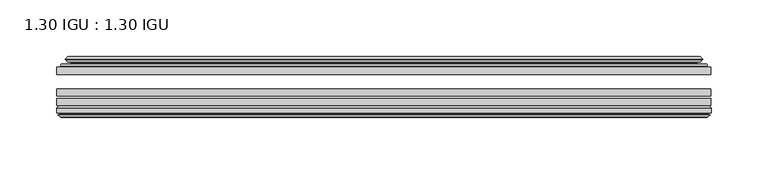
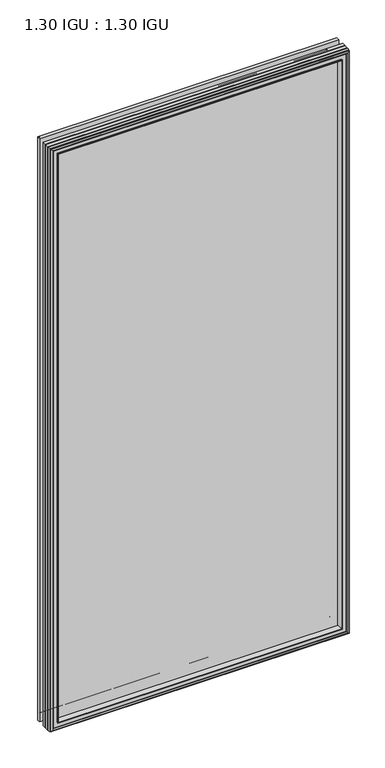
"""IFC4 building model written with IfcOpenShell, lengths in millimetres: plate geometry, 1.30 IGU : 1.30 IGU."""

from ifc_helpers import new_model, si_unit, frame, origin, place, context, project, spatial, polyline, ellipse_curve, outline, extrude, faceted_brep, source, transform, mapped, element, save
from ifc_brep_helpers import plane_surface, cylinder_surface, revolved_surface, advanced_brep


def plate_1_30_igu_1_30_igu_d68cf6b5(model_context):
    return source(origin(), model_context, "Body", "SolidModel", [
        extrude(outline(polyline([(287.2705532, -44.92625), (287.2705532, -51.27625), (-287.3375, -51.27625), (-287.3375, -44.92625), (287.2705532, -44.92625)])), frame((0.0, 0.0, -14.2875), z_axis=(0.0, 0.0, 1.0), x_axis=(1.0, 0.0, 0.0)), (0.0, 0.0, 1.0), 1184.275),
        extrude(outline(polyline([(-287.3375, -78.58125), (-287.3375, -72.23125), (287.2705532, -72.23125), (287.2705532, -78.58125), (-287.3375, -78.58125)])), frame((0.0, 0.0, -14.2875), z_axis=(0.0, 0.0, 1.0), x_axis=(1.0, 0.0, 0.0)), (0.0, 0.0, 1.0), 1184.275),
        extrude(outline(polyline([(-287.3375, -70.32625), (-287.3375, -63.97625), (287.2705532, -63.97625), (287.2705532, -70.32625), (-287.3375, -70.32625)])), frame((0.0, 0.0, -14.2875), z_axis=(0.0, 0.0, 1.0), x_axis=(1.0, 0.0, 0.0)), (0.0, 0.0, 1.0), 1184.275),
        advanced_brep(
        [(-269.0022902, -43.8351483, 1151.6522902), (-269.4441004, -44.92625, 1152.0941004), (-269.4441004, -44.92625, 3.6058996), (-269.0022902, -43.8351483, 4.0477098), (-273.05, -36.11245, 1155.7), (-273.05, -36.11245, 0.0), (-278.2359109, -37.2935491, 1160.8859109), (-278.2359109, -37.2935491, -5.1859109), (-277.9063356, -36.4664324, 1160.5563356), (-277.9063356, -36.4664324, -4.8563356), (-277.9063356, -35.6521812, 1160.5563356), (-277.9063356, -35.6521812, -4.8563356), (-279.7226111, -37.610817, 1162.3726111), (-279.7226111, -37.610817, -6.6726111), (-279.7226111, -38.3239429, 1162.3726111), (-279.7226111, -38.3239429, -6.6726111), (-277.9063356, -40.2727974, 1160.5563356), (-277.9063356, -40.2727974, -4.8563356), (-277.9063356, -39.4683275, 1160.5563356), (-277.9063356, -39.4683275, -4.8563356), (-278.2282501, -38.6604367, 1160.8782501), (-278.2282501, -38.6604367, -5.1782501), (-275.7044379, -38.502045, 1158.3544379), (-275.7044379, -38.502045, -2.6544379), (-274.6786217, -39.1897544, 1157.3286217), (-274.6786217, -39.1897544, -1.6286217), (-274.7970288, -40.5842231, 1157.4470288), (-274.7970288, -40.5842231, -1.7470288), (-275.3987748, -42.08145, 1158.0487748), (-275.3987748, -42.08145, -2.3487748), (-283.3245553, -43.9898729, 1165.9745553), (-282.8389245, -42.08145, 1165.4889245), (-282.8389245, -42.08145, -9.7889245), (-283.3245553, -43.9898729, -10.2745553), (-281.6038155, -44.92625, 1164.2538155), (-281.6038155, -44.92625, -8.5538155), (269.4441004, -44.92625, 3.6058996), (269.0022902, -43.8351483, 4.0477098), (273.05, -36.11245, 0.0), (278.2359109, -37.2935491, -5.1859109), (277.9063356, -36.4664324, -4.8563356), (277.9063356, -35.6521812, -4.8563356), (279.7226111, -37.610817, -6.6726111), (279.7226111, -38.3239429, -6.6726111), (277.9063356, -40.2727974, -4.8563356), (277.9063356, -39.4683275, -4.8563356), (278.2282501, -38.6604367, -5.1782501), (275.7044379, -38.502045, -2.6544379), (274.6786217, -39.1897544, -1.6286217), (274.7970288, -40.5842231, -1.7470288), (275.3987748, -42.08145, -2.3487748), (282.8389245, -42.08145, -9.7889245), (283.3245553, -43.9898729, -10.2745553), (281.6038155, -44.92625, -8.5538155), (269.4441004, -44.92625, 1152.0941004), (269.0022902, -43.8351483, 1151.6522902), (273.05, -36.11245, 1155.7), (278.2359109, -37.2935491, 1160.8859109), (277.9063356, -36.4664324, 1160.5563356), (277.9063356, -35.6521812, 1160.5563356), (279.7226111, -37.610817, 1162.3726111), (279.7226111, -38.3239429, 1162.3726111), (277.9063356, -40.2727974, 1160.5563356), (277.9063356, -39.4683275, 1160.5563356), (278.2282501, -38.6604367, 1160.8782501), (275.7044379, -38.502045, 1158.3544379), (274.6786217, -39.1897544, 1157.3286217), (274.7970288, -40.5842231, 1157.4470288), (275.3987748, -42.08145, 1158.0487748), (282.8389245, -42.08145, 1165.4889245), (283.3245553, -43.9898729, 1165.9745553), (281.6038155, -44.92625, 1164.2538155)],
        [
            (0, 1, ellipse_curve(frame((-269.4441004, -44.29125, 1152.0941004), z_axis=(-0.7071067811865475, 0.0, -0.7071067811865475), x_axis=(-0.7071067811865474, 0.0, 0.7071067811865476)), 0.8980256, 0.635)),
            (1, 2),
            (2, 3, ellipse_curve(frame((-269.4441004, -44.29125, 3.6058996), z_axis=(-0.7071067811865475, 0.0, 0.7071067811865475), x_axis=(0.7071067811865474, 0.0, 0.7071067811865476)), 0.8980256, 0.635)),
            (3, 0),
            (4, 0, ellipse_curve(frame((-259.3172054, -33.8367745, 1141.9672054), z_axis=(0.7071067811865475, 0.0, 0.7071067811865475), x_axis=(0.7071067811865474, 0.0, -0.7071067811865476)), 19.6859517, 13.9200699)),
            (3, 5, ellipse_curve(frame((-259.3172054, -33.8367745, 13.7327946), z_axis=(0.7071067811865475, 0.0, -0.7071067811865475), x_axis=(-0.7071067811865474, 0.0, -0.7071067811865476)), 19.6859517, 13.9200699)),
            (5, 4),
            (6, 4),
            (5, 7),
            (7, 6),
            (8, 6),
            (7, 9),
            (9, 8),
            (10, 8),
            (9, 11),
            (11, 10),
            (12, 10),
            (11, 13),
            (13, 12),
            (14, 12, ellipse_curve(frame((-279.3607729, -37.96738, 1162.0107729), z_axis=(-0.7071067811865475, 0.0, -0.7071067811865475), x_axis=(-0.7071067811865474, 0.0, 0.7071067811865476)), 0.7184205, 0.508)),
            (13, 15, ellipse_curve(frame((-279.3607729, -37.96738, -6.3107729), z_axis=(-0.7071067811865475, 0.0, 0.7071067811865475), x_axis=(0.7071067811865474, 0.0, 0.7071067811865476)), 0.7184205, 0.508)),
            (15, 14),
            (16, 14),
            (15, 17),
            (17, 16),
            (18, 16),
            (17, 19),
            (19, 18),
            (20, 18),
            (19, 21),
            (21, 20),
            (22, 20),
            (21, 23),
            (23, 22),
            (24, 22, ellipse_curve(frame((-275.6408, -39.51605, 1158.2908), z_axis=(0.7071067811865475, 0.0, 0.7071067811865475), x_axis=(0.7071067811865474, 0.0, -0.7071067811865476)), 1.436841, 1.016)),
            (23, 25, ellipse_curve(frame((-275.6408, -39.51605, -2.5908), z_axis=(0.7071067811865475, 0.0, -0.7071067811865475), x_axis=(-0.7071067811865474, 0.0, -0.7071067811865476)), 1.436841, 1.016)),
            (25, 24),
            (26, 24, ellipse_curve(frame((-277.0124, -39.69385, 1159.6624), z_axis=(0.7071067811865475, 0.0, 0.7071067811865475), x_axis=(0.7071067811865474, 0.0, -0.7071067811865476)), 3.3765763, 2.3876)),
            (25, 27, ellipse_curve(frame((-277.0124, -39.69385, -3.9624), z_axis=(0.7071067811865475, 0.0, -0.7071067811865475), x_axis=(-0.7071067811865474, 0.0, -0.7071067811865476)), 3.3765763, 2.3876)),
            (27, 26),
            (28, 26),
            (27, 29),
            (29, 28),
            (30, 31, ellipse_curve(frame((-282.8389245, -43.09745, 1165.4889245), z_axis=(-0.7071067811865475, 0.0, -0.7071067811865475), x_axis=(-0.7071067811865474, 0.0, 0.7071067811865476)), 1.436841, 1.016)),
            (31, 32),
            (32, 33, ellipse_curve(frame((-282.8389245, -43.09745, -9.7889245), z_axis=(-0.7071067811865475, 0.0, 0.7071067811865475), x_axis=(0.7071067811865474, 0.0, 0.7071067811865476)), 1.436841, 1.016)),
            (33, 30),
            (34, 30),
            (33, 35),
            (35, 34),
            (2, 36),
            (36, 37, ellipse_curve(frame((269.4441004, -44.29125, 3.6058996), z_axis=(-0.7071067811865475, 0.0, -0.7071067811865475), x_axis=(-0.7071067811865476, 0.0, 0.7071067811865474)), 0.8980256, 0.635)),
            (37, 3),
            (37, 38, ellipse_curve(frame((259.3172054, -33.8367745, 13.7327946), z_axis=(0.7071067811865475, 0.0, 0.7071067811865475), x_axis=(0.7071067811865476, 0.0, -0.7071067811865474)), 19.6859517, 13.9200699)),
            (38, 5),
            (38, 39),
            (39, 7),
            (39, 40),
            (40, 9),
            (40, 41),
            (41, 11),
            (41, 42),
            (42, 13),
            (42, 43, ellipse_curve(frame((279.3607729, -37.96738, -6.3107729), z_axis=(-0.7071067811865475, 0.0, -0.7071067811865475), x_axis=(-0.7071067811865476, 0.0, 0.7071067811865474)), 0.7184205, 0.508)),
            (43, 15),
            (43, 44),
            (44, 17),
            (44, 45),
            (45, 19),
            (45, 46),
            (46, 21),
            (46, 47),
            (47, 23),
            (47, 48, ellipse_curve(frame((275.6408, -39.51605, -2.5908), z_axis=(0.7071067811865475, 0.0, 0.7071067811865475), x_axis=(0.7071067811865476, 0.0, -0.7071067811865474)), 1.436841, 1.016)),
            (48, 25),
            (48, 49, ellipse_curve(frame((277.0124, -39.69385, -3.9624), z_axis=(0.7071067811865475, 0.0, 0.7071067811865475), x_axis=(0.7071067811865476, 0.0, -0.7071067811865474)), 3.3765763, 2.3876)),
            (49, 27),
            (49, 50),
            (50, 29),
            (32, 51),
            (51, 52, ellipse_curve(frame((282.8389245, -43.09745, -9.7889245), z_axis=(-0.7071067811865475, 0.0, -0.7071067811865475), x_axis=(-0.7071067811865476, 0.0, 0.7071067811865474)), 1.436841, 1.016)),
            (52, 33),
            (52, 53),
            (53, 35),
            (36, 54),
            (54, 55, ellipse_curve(frame((269.4441004, -44.29125, 1152.0941004), z_axis=(0.7071067811865475, 0.0, -0.7071067811865475), x_axis=(-0.7071067811865474, 0.0, -0.7071067811865476)), 0.8980256, 0.635)),
            (55, 37),
            (55, 56, ellipse_curve(frame((259.3172054, -33.8367745, 1141.9672054), z_axis=(-0.7071067811865475, 0.0, 0.7071067811865475), x_axis=(0.7071067811865474, 0.0, 0.7071067811865476)), 19.6859517, 13.9200699)),
            (56, 38),
            (56, 57),
            (57, 39),
            (57, 58),
            (58, 40),
            (58, 59),
            (59, 41),
            (59, 60),
            (60, 42),
            (60, 61, ellipse_curve(frame((279.3607729, -37.96738, 1162.0107729), z_axis=(0.7071067811865475, 0.0, -0.7071067811865475), x_axis=(-0.7071067811865474, 0.0, -0.7071067811865476)), 0.7184205, 0.508)),
            (61, 43),
            (61, 62),
            (62, 44),
            (62, 63),
            (63, 45),
            (63, 64),
            (64, 46),
            (64, 65),
            (65, 47),
            (65, 66, ellipse_curve(frame((275.6408, -39.51605, 1158.2908), z_axis=(-0.7071067811865475, 0.0, 0.7071067811865475), x_axis=(0.7071067811865474, 0.0, 0.7071067811865476)), 1.436841, 1.016)),
            (66, 48),
            (66, 67, ellipse_curve(frame((277.0124, -39.69385, 1159.6624), z_axis=(-0.7071067811865475, 0.0, 0.7071067811865475), x_axis=(0.7071067811865474, 0.0, 0.7071067811865476)), 3.3765763, 2.3876)),
            (67, 49),
            (67, 68),
            (68, 50),
            (51, 69),
            (69, 70, ellipse_curve(frame((282.8389245, -43.09745, 1165.4889245), z_axis=(0.7071067811865475, 0.0, -0.7071067811865475), x_axis=(-0.7071067811865474, 0.0, -0.7071067811865476)), 1.436841, 1.016)),
            (70, 52),
            (70, 71),
            (71, 53),
            (54, 1),
            (0, 55),
            (4, 56),
            (6, 57),
            (8, 58),
            (10, 59),
            (12, 60),
            (14, 61),
            (16, 62),
            (18, 63),
            (20, 64),
            (22, 65),
            (24, 66),
            (26, 67),
            (28, 68),
            (31, 69),
            (30, 70),
            (34, 71),
        ],
        [
            cylinder_surface(frame((-269.4441004, -44.29125, 1187.45), z_axis=(0.0, 0.0, 1.0), x_axis=(-1.0, 0.0, 0.0)), 0.635),
            revolved_surface(polyline([(-273.23727529999996, -33.8367745, -0.18727534118079348), (-273.23727529999996, -33.8367745, 1155.8872753411808)]), (-259.3172054, -33.8367745, 1187.45), (0.0, 0.0, -1.0)),
            plane_surface(frame((-273.05, -36.11245, 1155.7), z_axis=(-0.2220649844277866, 0.975031867525922, 0.0), x_axis=(0.0, 0.0, -1.0))),
            plane_surface(frame((-278.2359109, -37.2935491, 1160.8859109), z_axis=(0.9289682685629922, -0.3701593656833182, 0.0), x_axis=(0.0, 0.0, -1.0))),
            plane_surface(frame((-277.9063356, -36.4664324, 1160.5563356), z_axis=(1.0, 0.0, 0.0), x_axis=(0.0, 0.0, -1.0))),
            plane_surface(frame((-277.9063356, -35.6521812, 1160.5563356), z_axis=(-0.7332521292723956, 0.6799568478348447, 0.0), x_axis=(0.0, 0.0, -1.0))),
            cylinder_surface(frame((-279.3607729, -37.96738, 1187.45), z_axis=(0.0, 0.0, 1.0), x_axis=(-1.0, 0.0, 0.0)), 0.508),
            plane_surface(frame((-279.7226111, -38.3239429, 1162.3726111), z_axis=(-0.7315522693036389, -0.6817853601220082, 0.0), x_axis=(0.0, 0.0, -1.0))),
            plane_surface(frame((-277.9063356, -40.2727974, 1160.5563356), z_axis=(1.0, 0.0, 0.0), x_axis=(0.0, 0.0, -1.0))),
            plane_surface(frame((-277.9063356, -39.4683275, 1160.5563356), z_axis=(0.9289682685631103, 0.37015936568302166, 0.0), x_axis=(0.0, 0.0, -1.0))),
            plane_surface(frame((-278.2282501, -38.6604367, 1160.8782501), z_axis=(0.06263570119321646, -0.9980364567169048, 0.0), x_axis=(0.0, 0.0, -1.0))),
            revolved_surface(polyline([(-276.65680000000003, -39.51605, -3.6068000145867245), (-276.65680000000003, -39.51605, 1159.3068000145868)]), (-275.6408, -39.51605, 1187.45), (0.0, 0.0, -1.0)),
            revolved_surface(polyline([(-279.40000000000003, -39.69385, -6.3499999989237494), (-279.40000000000003, -39.69385, 1162.0499999989238)]), (-277.0124, -39.69385, 1187.45), (0.0, 0.0, -1.0)),
            plane_surface(frame((-274.7970288, -40.5842231, 1157.4470288), z_axis=(-0.9278652925428912, 0.372915538553028, 0.0), x_axis=(0.0, 0.0, -1.0))),
            cylinder_surface(frame((-282.8389245, -43.09745, 1187.45), z_axis=(0.0, 0.0, 1.0), x_axis=(-1.0, 0.0, 0.0)), 1.016),
            plane_surface(frame((-283.3245553, -43.9898729, 1165.9745553), z_axis=(-0.477983117370979, -0.8783690223979447, 0.0), x_axis=(0.0, 0.0, -1.0))),
            cylinder_surface(frame((-304.8, -44.29125, 3.6058996), z_axis=(-1.0, 0.0, 0.0), x_axis=(0.0, 0.0, -1.0)), 0.635),
            revolved_surface(polyline([(273.2372753411808, -33.8367745, -0.1872752999999996), (-273.2372753411808, -33.8367745, -0.1872752999999996)]), (-304.8, -33.8367745, 13.7327946), (1.0, 0.0, 0.0)),
            plane_surface(frame((-273.05, -36.11245, 0.0), z_axis=(0.0, 0.9750318675259213, -0.22206498442778974), x_axis=(1.0, 0.0, 0.0))),
            plane_surface(frame((-278.2359109, -37.2935491, -5.1859109), z_axis=(0.0, -0.3701593656833152, 0.9289682685629934), x_axis=(1.0, 0.0, 0.0))),
            plane_surface(frame((-277.9063356, -36.4664324, -4.8563356), z_axis=(0.0, 0.0, 1.0), x_axis=(1.0, 0.0, 0.0))),
            plane_surface(frame((-277.9063356, -35.6521812, -4.8563356), z_axis=(0.0, 0.6799568478348423, -0.7332521292723978), x_axis=(1.0, 0.0, 0.0))),
            cylinder_surface(frame((-304.8, -37.96738, -6.3107729), z_axis=(-1.0, 0.0, 0.0), x_axis=(0.0, 0.0, -1.0)), 0.508),
            plane_surface(frame((-279.7226111, -38.3239429, -6.6726111), z_axis=(0.0, -0.6817853601220105, -0.7315522693036367), x_axis=(1.0, 0.0, 0.0))),
            plane_surface(frame((-277.9063356, -40.2727974, -4.8563356), z_axis=(0.0, 0.0, 1.0), x_axis=(1.0, 0.0, 0.0))),
            plane_surface(frame((-277.9063356, -39.4683275, -4.8563356), z_axis=(0.0, 0.37015936568302465, 0.9289682685631091), x_axis=(1.0, 0.0, 0.0))),
            plane_surface(frame((-278.2282501, -38.6604367, -5.1782501), z_axis=(0.0, -0.9980364567169046, 0.06263570119321968), x_axis=(1.0, 0.0, 0.0))),
            revolved_surface(polyline([(276.65680001458696, -39.51605, -3.6068000000000002), (-276.65680001458685, -39.51605, -3.6068000000000002)]), (-304.8, -39.51605, -2.5908), (1.0, 0.0, 0.0)),
            revolved_surface(polyline([(279.39999999892376, -39.69385, -6.35), (-279.3999999989238, -39.69385, -6.35)]), (-304.8, -39.69385, -3.9624), (1.0, 0.0, 0.0)),
            plane_surface(frame((-274.7970288, -40.5842231, -1.7470288), z_axis=(0.0, 0.372915538553025, -0.9278652925428924), x_axis=(1.0, 0.0, 0.0))),
            cylinder_surface(frame((-304.8, -43.09745, -9.7889245), z_axis=(-1.0, 0.0, 0.0), x_axis=(0.0, 0.0, -1.0)), 1.016),
            plane_surface(frame((-283.3245553, -43.9898729, -10.2745553), z_axis=(0.0, -0.8783690223979462, -0.47798311737097615), x_axis=(1.0, 0.0, 0.0))),
            cylinder_surface(frame((269.4441004, -44.29125, -31.75), z_axis=(0.0, 0.0, -1.0), x_axis=(1.0, 0.0, 0.0)), 0.635),
            revolved_surface(polyline([(273.23727529999996, -33.8367745, 1155.8872753411808), (273.23727529999996, -33.8367745, -0.1872753411808432)]), (259.3172054, -33.8367745, -31.75), (0.0, 0.0, 1.0)),
            plane_surface(frame((273.05, -36.11245, 0.0), z_axis=(0.22206498442779285, 0.9750318675259205, 0.0), x_axis=(0.0, 0.0, 1.0))),
            plane_surface(frame((278.2359109, -37.2935491, -5.1859109), z_axis=(-0.9289682685629946, -0.3701593656833122, 0.0), x_axis=(0.0, 0.0, 1.0))),
            plane_surface(frame((277.9063356, -36.4664324, -4.8563356), z_axis=(-1.0, 0.0, 0.0), x_axis=(0.0, 0.0, 1.0))),
            plane_surface(frame((277.9063356, -35.6521812, -4.8563356), z_axis=(0.7332521292724, 0.67995684783484, 0.0), x_axis=(0.0, 0.0, 1.0))),
            cylinder_surface(frame((279.3607729, -37.96738, -31.75), z_axis=(0.0, 0.0, -1.0), x_axis=(1.0, 0.0, 0.0)), 0.508),
            plane_surface(frame((279.7226111, -38.3239429, -6.6726111), z_axis=(0.7315522693036345, -0.6817853601220129, 0.0), x_axis=(0.0, 0.0, 1.0))),
            plane_surface(frame((277.9063356, -40.2727974, -4.8563356), z_axis=(-1.0, 0.0, 0.0), x_axis=(0.0, 0.0, 1.0))),
            plane_surface(frame((277.9063356, -39.4683275, -4.8563356), z_axis=(-0.928968268563108, 0.3701593656830277, 0.0), x_axis=(0.0, 0.0, 1.0))),
            plane_surface(frame((278.2282501, -38.6604367, -5.1782501), z_axis=(-0.0626357011932229, -0.9980364567169043, 0.0), x_axis=(0.0, 0.0, 1.0))),
            revolved_surface(polyline([(276.65680000000003, -39.51605, 1159.3068000145868), (276.65680000000003, -39.51605, -3.606800014586863)]), (275.6408, -39.51605, -31.75), (0.0, 0.0, 1.0)),
            revolved_surface(polyline([(279.40000000000003, -39.69385, 1162.0499999989238), (279.40000000000003, -39.69385, -6.349999998923781)]), (277.0124, -39.69385, -31.75), (0.0, 0.0, 1.0)),
            plane_surface(frame((274.7970288, -40.5842231, -1.7470288), z_axis=(0.9278652925428936, 0.372915538553022, 0.0), x_axis=(0.0, 0.0, 1.0))),
            cylinder_surface(frame((282.8389245, -43.09745, -31.75), z_axis=(0.0, 0.0, -1.0), x_axis=(1.0, 0.0, 0.0)), 1.016),
            plane_surface(frame((283.3245553, -43.9898729, -10.2745553), z_axis=(0.4779831173709733, -0.8783690223979478, 0.0), x_axis=(0.0, 0.0, 1.0))),
            cylinder_surface(frame((304.8, -44.29125, 1152.0941004), z_axis=(1.0, 0.0, 0.0), x_axis=(0.0, 0.0, 1.0)), 0.635),
            revolved_surface(polyline([(-273.2372753411808, -33.8367745, 1155.8872753), (273.2372753411808, -33.8367745, 1155.8872753)]), (304.8, -33.8367745, 1141.9672054), (-1.0, 0.0, 0.0)),
            plane_surface(frame((273.05, -36.11245, 1155.7), z_axis=(0.0, 0.9750318675259212, 0.2220649844277897), x_axis=(-1.0, 0.0, 0.0))),
            plane_surface(frame((278.2359109, -37.2935491, 1160.8859109), z_axis=(0.0, -0.3701593656833152, -0.9289682685629934), x_axis=(-1.0, 0.0, 0.0))),
            plane_surface(frame((277.9063356, -36.4664324, 1160.5563356), z_axis=(0.0, 0.0, -1.0), x_axis=(-1.0, 0.0, 0.0))),
            plane_surface(frame((277.9063356, -35.6521812, 1160.5563356), z_axis=(0.0, 0.6799568478348423, 0.7332521292723978), x_axis=(-1.0, 0.0, 0.0))),
            cylinder_surface(frame((304.8, -37.96738, 1162.0107729), z_axis=(1.0, 0.0, 0.0), x_axis=(0.0, 0.0, 1.0)), 0.508),
            plane_surface(frame((279.7226111, -38.3239429, 1162.3726111), z_axis=(0.0, -0.6817853601220105, 0.7315522693036367), x_axis=(-1.0, 0.0, 0.0))),
            plane_surface(frame((277.9063356, -40.2727974, 1160.5563356), z_axis=(0.0, 0.0, -1.0), x_axis=(-1.0, 0.0, 0.0))),
            plane_surface(frame((277.9063356, -39.4683275, 1160.5563356), z_axis=(0.0, 0.3701593656830247, -0.9289682685631092), x_axis=(-1.0, 0.0, 0.0))),
            plane_surface(frame((278.2282501, -38.6604367, 1160.8782501), z_axis=(0.0, -0.9980364567169046, -0.06263570119321968), x_axis=(-1.0, 0.0, 0.0))),
            revolved_surface(polyline([(-276.65680001458696, -39.51605, 1159.3068), (276.65680001458685, -39.51605, 1159.3068)]), (304.8, -39.51605, 1158.2908), (-1.0, 0.0, 0.0)),
            revolved_surface(polyline([(-279.39999999892376, -39.69385, 1162.05), (279.3999999989238, -39.69385, 1162.05)]), (304.8, -39.69385, 1159.6624), (-1.0, 0.0, 0.0)),
            plane_surface(frame((274.7970288, -40.5842231, 1157.4470288), z_axis=(0.0, 0.372915538553025, 0.9278652925428924), x_axis=(-1.0, 0.0, 0.0))),
            plane_surface(frame((275.3987748, -42.08145, 1158.0487748), z_axis=(0.0, 1.0, 0.0), x_axis=(-1.0, 0.0, 0.0))),
            cylinder_surface(frame((304.8, -43.09745, 1165.4889245), z_axis=(1.0, 0.0, 0.0), x_axis=(0.0, 0.0, 1.0)), 1.016),
            plane_surface(frame((283.3245553, -43.9898729, 1165.9745553), z_axis=(0.0, -0.8783690223979462, 0.47798311737097615), x_axis=(-1.0, 0.0, 0.0))),
            plane_surface(frame((281.6038155, -44.92625, 1164.2538155), z_axis=(0.0, -1.0, 0.0), x_axis=(-1.0, 0.0, 0.0))),
        ],
        [
            (0, [[1, 2, 3, 4]]),
            (1, [[5, -4, 6, 7]]),
            (2, [[8, -7, 9, 10]]),
            (3, [[11, -10, 12, 13]]),
            (4, [[14, -13, 15, 16]]),
            (5, [[17, -16, 18, 19]]),
            (6, [[20, -19, 21, 22]]),
            (7, [[23, -22, 24, 25]]),
            (8, [[26, -25, 27, 28]]),
            (9, [[29, -28, 30, 31]]),
            (10, [[32, -31, 33, 34]]),
            (11, [[35, -34, 36, 37]]),
            (12, [[38, -37, 39, 40]]),
            (13, [[41, -40, 42, 43]]),
            (14, [[44, 45, 46, 47]]),
            (15, [[48, -47, 49, 50]]),
            (16, [[-3, 51, 52, 53]]),
            (17, [[-6, -53, 54, 55]]),
            (18, [[-9, -55, 56, 57]]),
            (19, [[-12, -57, 58, 59]]),
            (20, [[-15, -59, 60, 61]]),
            (21, [[-18, -61, 62, 63]]),
            (22, [[-21, -63, 64, 65]]),
            (23, [[-24, -65, 66, 67]]),
            (24, [[-27, -67, 68, 69]]),
            (25, [[-30, -69, 70, 71]]),
            (26, [[-33, -71, 72, 73]]),
            (27, [[-36, -73, 74, 75]]),
            (28, [[-39, -75, 76, 77]]),
            (29, [[-42, -77, 78, 79]]),
            (30, [[-46, 80, 81, 82]]),
            (31, [[-49, -82, 83, 84]]),
            (32, [[-52, 85, 86, 87]]),
            (33, [[-54, -87, 88, 89]]),
            (34, [[-56, -89, 90, 91]]),
            (35, [[-58, -91, 92, 93]]),
            (36, [[-60, -93, 94, 95]]),
            (37, [[-62, -95, 96, 97]]),
            (38, [[-64, -97, 98, 99]]),
            (39, [[-66, -99, 100, 101]]),
            (40, [[-68, -101, 102, 103]]),
            (41, [[-70, -103, 104, 105]]),
            (42, [[-72, -105, 106, 107]]),
            (43, [[-74, -107, 108, 109]]),
            (44, [[-76, -109, 110, 111]]),
            (45, [[-78, -111, 112, 113]]),
            (46, [[-81, 114, 115, 116]]),
            (47, [[-83, -116, 117, 118]]),
            (48, [[-86, 119, -1, 120]]),
            (49, [[-88, -120, -5, 121]]),
            (50, [[-90, -121, -8, 122]]),
            (51, [[-92, -122, -11, 123]]),
            (52, [[-94, -123, -14, 124]]),
            (53, [[-96, -124, -17, 125]]),
            (54, [[-98, -125, -20, 126]]),
            (55, [[-100, -126, -23, 127]]),
            (56, [[-102, -127, -26, 128]]),
            (57, [[-104, -128, -29, 129]]),
            (58, [[-106, -129, -32, 130]]),
            (59, [[-108, -130, -35, 131]]),
            (60, [[-110, -131, -38, 132]]),
            (61, [[-112, -132, -41, 133]]),
            (62, [[134, -114, -80, -45], [-79, -113, -133, -43]]),
            (63, [[-115, -134, -44, 135]]),
            (64, [[-117, -135, -48, 136]]),
            (65, [[-84, -118, -136, -50], [-119, -85, -51, -2]]),
        ],
    ),
        faceted_brep([(-269.1957827, -78.58125, 1151.8457827), (-271.7620798, -87.47125, 1154.4120798), (-271.7620798, -87.47125, 1.2879202), (-269.1957827, -78.58125, 3.8542173), (-287.3502, -80.7883102, 1170.0002), (-285.1431398, -78.58125, 1167.7931398), (-285.1431398, -78.58125, -12.0931398), (-287.3502, -80.7883102, -14.3002), (-287.3502, -84.93125, 1170.0002), (-287.3502, -84.93125, -14.3002), (-284.9311775, -86.11489, 1167.5811775), (-285.7703682, -84.93125, 1168.4203682), (-285.7703682, -84.93125, -12.7203682), (-284.9311775, -86.11489, -11.8811775), (-284.734, -87.4125884, 1167.384), (-284.734, -87.4125884, -11.684), (-285.70966, -86.8828917, 1168.35966), (-285.70966, -86.8828917, -12.65966), (-284.1752, -88.6999663, 1166.8252), (-286.5023305, -86.8828917, 1169.1523305), (-286.5023305, -86.8828917, -13.4523305), (-284.1752, -88.6999663, -11.1252), (-281.8480695, -86.8828917, 1164.4980695), (-281.8480695, -86.8828917, -8.7980695), (-283.6164, -87.4125884, 1166.2664), (-282.64074, -86.8828917, 1165.29074), (-282.64074, -86.8828917, -9.59074), (-283.6164, -87.4125884, -10.5664), (-283.4192225, -86.11489, 1166.0692225), (-283.4192225, -86.11489, -10.3692225), (-282.5496, -84.93125, 1165.1996), (-282.5496, -84.93125, -9.4996), (-273.4013667, -87.47125, 1156.0513667), (-272.8722, -84.93125, 1155.5222), (-272.8722, -84.93125, 0.1778), (-273.4013667, -87.47125, -0.3513667), (271.7620798, -87.47125, 1.2879202), (269.1957827, -78.58125, 3.8542173), (285.1431398, -78.58125, -12.0931398), (287.3502, -80.7883102, -14.3002), (287.3502, -84.93125, -14.3002), (285.7703682, -84.93125, -12.7203682), (284.9311775, -86.11489, -11.8811775), (284.734, -87.4125884, -11.684), (285.70966, -86.8828917, -12.65966), (286.5023305, -86.8828917, -13.4523305), (284.1752, -88.6999663, -11.1252), (281.8480695, -86.8828917, -8.7980695), (282.64074, -86.8828917, -9.59074), (283.6164, -87.4125884, -10.5664), (283.4192225, -86.11489, -10.3692225), (282.5496, -84.93125, -9.4996), (272.8722, -84.93125, 0.1778), (273.4013667, -87.47125, -0.3513667), (271.7620798, -87.47125, 1154.4120798), (269.1957827, -78.58125, 1151.8457827), (285.1431398, -78.58125, 1167.7931398), (287.3502, -80.7883102, 1170.0002), (287.3502, -84.93125, 1170.0002), (285.7703682, -84.93125, 1168.4203682), (284.9311775, -86.11489, 1167.5811775), (284.734, -87.4125884, 1167.384), (285.70966, -86.8828917, 1168.35966), (286.5023305, -86.8828917, 1169.1523305), (284.1752, -88.6999663, 1166.8252), (281.8480695, -86.8828917, 1164.4980695), (282.64074, -86.8828917, 1165.29074), (283.6164, -87.4125884, 1166.2664), (283.4192225, -86.11489, 1166.0692225), (282.5496, -84.93125, 1165.1996), (272.8722, -84.93125, 1155.5222), (273.4013667, -87.47125, 1156.0513667)], [[[0, 1, 2, 3]], [[4, 5, 6, 7]], [[8, 4, 7, 9]], [[10, 11, 12, 13]], [[14, 10, 13, 15]], [[16, 14, 15, 17]], [[18, 19, 20, 21]], [[22, 18, 21, 23]], [[24, 25, 26, 27]], [[28, 24, 27, 29]], [[30, 28, 29, 31]], [[32, 33, 34, 35]], [[3, 2, 36, 37]], [[7, 6, 38, 39]], [[9, 7, 39, 40]], [[13, 12, 41, 42]], [[15, 13, 42, 43]], [[17, 15, 43, 44]], [[21, 20, 45, 46]], [[23, 21, 46, 47]], [[27, 26, 48, 49]], [[29, 27, 49, 50]], [[31, 29, 50, 51]], [[35, 34, 52, 53]], [[37, 36, 54, 55]], [[39, 38, 56, 57]], [[40, 39, 57, 58]], [[42, 41, 59, 60]], [[43, 42, 60, 61]], [[44, 43, 61, 62]], [[46, 45, 63, 64]], [[47, 46, 64, 65]], [[49, 48, 66, 67]], [[50, 49, 67, 68]], [[51, 50, 68, 69]], [[53, 52, 70, 71]], [[55, 54, 1, 0]], [[5, 56, 38, 6], [3, 37, 55, 0]], [[57, 56, 5, 4]], [[58, 57, 4, 8]], [[9, 40, 58, 8], [11, 59, 41, 12]], [[60, 59, 11, 10]], [[61, 60, 10, 14]], [[62, 61, 14, 16]], [[19, 63, 45, 20], [17, 44, 62, 16]], [[64, 63, 19, 18]], [[65, 64, 18, 22]], [[25, 66, 48, 26], [23, 47, 65, 22]], [[67, 66, 25, 24]], [[68, 67, 24, 28]], [[69, 68, 28, 30]], [[31, 51, 69, 30], [33, 70, 52, 34]], [[71, 70, 33, 32]], [[35, 53, 71, 32], [1, 54, 36, 2]]]),
    ])


if __name__ == "__main__":
    model = new_model("IFC4")
    model_context = context("Model", 3, world=origin())
    ifc_project = project(units=[si_unit("LENGTHUNIT", "METRE", prefix="MILLI")], contexts=[model_context])
    site = spatial("IfcSite", under=ifc_project)
    building = spatial("IfcBuilding", under=site)
    placement = place(None, origin())
    plate_1_30_igu_1_30_igu_shape = plate_1_30_igu_1_30_igu_d68cf6b5(model_context)
    element("IfcPlate", 1, ObjectType="1.30 IGU : 1.30 IGU", at=placement, inside=building, context=model_context, shape_type="MappedRepresentation", body=[
        mapped(plate_1_30_igu_1_30_igu_shape, transform((0.0, 0.0, 0.0), x_axis=(1.0, 0.0, 0.0), y_axis=(0.0, 1.0, 0.0), z_axis=(0.0, 0.0, 1.0))),
    ])
    save(model, "model.ifc")
